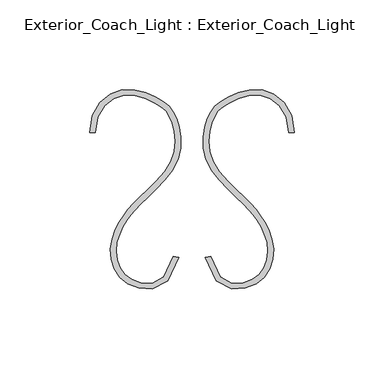
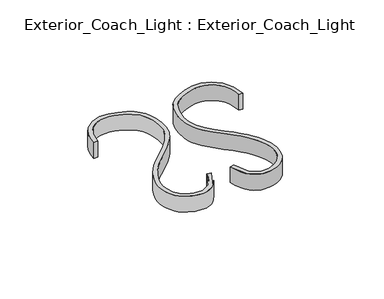
"""IFC4 building model written with IfcOpenShell, lengths in millimetres: light fixture geometry, Exterior_Coach_Light : Exterior_Coach_Light."""

from ifc_helpers import new_model, si_unit, frame, origin, place, context, project, spatial, source, transform, mapped, element, save
from ifc_brep_helpers import plane_surface, extruded_surface, spline_curve, advanced_brep


def exterior_coach_light_exterior_coach_light_064aa03b(model_context):
    return source(origin(), model_context, "Body", "AdvancedBrep", [
        advanced_brep(
        [(-54.0557336, -103.0735619, 1837.4145854), (-57.2307336, -103.0735619, 1837.4145854), (-57.2307336, -103.0735619, 1824.7145854), (-54.0557336, -103.0735619, 1824.7145854), (-7.296701, -172.8506405, 1837.4145854), (-7.296701, -172.8506405, 1824.7145854), (-10.37739, -172.0825385, 1824.7145854), (-10.37739, -172.0825385, 1837.4145854)],
        [
            (0, 1),
            (1, 2),
            (2, 3),
            (3, 0),
            (4, 5),
            (5, 6),
            (6, 7),
            (7, 4),
            (3, 5, spline_curve(3, [(-54.0557336, -103.0735619, 1824.7145854), (-54.0557336, -99.624906197, 1824.7145854), (-53.455438767, -96.587415898, 1824.7145854), (-51.414100233, -91.345741502, 1824.7145854), (-49.973056544, -89.141557385, 1824.7145854), (-46.570124656, -85.588861415, 1824.7145854), (-44.608236472, -84.240349644, 1824.7145854), (-41.536717114, -82.904681628, 1824.7145854), (-40.491429447, -82.57397551, 1824.7145854), (-38.372139553, -82.12737389, 1824.7145854), (-37.298137307, -82.011478386, 1824.7145854), (-34.054556786, -81.932916829, 1824.7145854), (-31.863404822, -82.239375907, 1824.7145854), (-27.646079978, -83.297550293, 1824.7145854), (-25.619907063, -84.04926558, 1824.7145854), (-22.870199818, -85.27969101, 1824.7145854), (-22.001889477, -85.706974858, 1824.7145854), (-20.396598923, -86.549578142, 1824.7145854), (-19.659618761, -86.964897577, 1824.7145854), (-17.649316778, -88.194114646, 1824.7145854), (-16.576633411, -88.991271234, 1824.7145854), (-14.781340989, -90.666032566, 1824.7145854), (-14.058731962, -91.543637302, 1824.7145854), (-12.782656038, -93.578081098, 1824.7145854), (-12.229189158, -94.734920234, 1824.7145854), (-11.170459242, -97.495021166, 1824.7145854), (-10.665196171, -99.098283008, 1824.7145854), (-9.855837029, -102.578423392, 1824.7145854), (-9.551740912, -104.455301921, 1824.7145854), (-9.304545688, -108.354228679, 1824.7145854), (-9.361446566, -110.376276828, 1824.7145854), (-9.971025834, -114.417713372, 1824.7145854), (-10.52370423, -116.43710176, 1824.7145854), (-12.30652957, -120.42831804, 1824.7145854), (-13.536676504, -122.400145982, 1824.7145854), (-16.433853296, -126.261512018, 1824.7145854), (-18.100883197, -128.151050113, 1824.7145854), (-21.564237603, -131.757102887, 1824.7145854), (-23.36056215, -133.473617554, 1824.7145854), (-26.78306725, -136.683372046, 1824.7145854), (-28.409247787, -138.176611855, 1824.7145854), (-31.231895413, -140.902021545, 1824.7145854), (-32.428362429, -142.134191429, 1824.7145854), (-34.565293771, -144.496342171, 1824.7145854), (-35.505758145, -145.626322981, 1824.7145854), (-37.269922455, -147.911993219, 1824.7145854), (-38.09362248, -149.067682618, 1824.7145854), (-39.78235552, -151.581190382, 1824.7145854), (-40.647388498, -152.939008781, 1824.7145854), (-42.285726702, -155.948882819, 1824.7145854), (-43.059031867, -157.600938431, 1824.7145854), (-44.377143133, -161.199786169, 1824.7145854), (-44.921949277, -163.146578269, 1824.7145854), (-45.585282723, -167.185668931, 1824.7145854), (-45.703810091, -169.277967507, 1824.7145854), (-45.358549109, -173.397078693, 1824.7145854), (-44.894760676, -175.423891308, 1824.7145854), (-43.482850524, -179.239014092, 1824.7145854), (-42.534728804, -181.027324306, 1824.7145854), (-40.173636596, -184.230854294, 1824.7145854), (-38.760666159, -185.646074059, 1824.7145854), (-36.21000517, -187.40828402, 1824.7145854), (-35.287917268, -187.935584049, 1824.7145854), (-33.296443732, -188.861259751, 1824.7145854), (-32.227058063, -189.259635442, 1824.7145854), (-30.505103418, -189.756791029, 1824.7145854), (-29.911472519, -189.905774967, 1824.7145854), (-28.682627481, -190.172683433, 1824.7145854), (-28.047413344, -190.290607971, 1824.7145854), (-26.058930411, -190.579055059, 1824.7145854), (-24.622821024, -190.684250866, 1824.7145854), (-21.632345776, -190.471991734, 1824.7145854), (-20.077979951, -190.154536767, 1824.7145854), (-17.010148649, -188.857658833, 1824.7145854), (-15.496683226, -187.878235898, 1824.7145854), (-12.691305774, -185.119830502, 1824.7145854), (-11.399393753, -183.340848058, 1824.7145854), (-9.111206447, -178.847123942, 1824.7145854), (-8.114931112, -176.132382231, 1824.7145854), (-7.296701, -172.8506405, 1824.7145854)], [4, 2, 2, 2, 2, 2, 2, 2, 2, 2, 2, 2, 2, 2, 2, 2, 2, 2, 2, 2, 2, 2, 2, 2, 2, 2, 2, 2, 2, 2, 2, 2, 2, 2, 2, 2, 2, 2, 2, 4], [0.0, 0.019727007835017154, 0.03945401567003431, 0.05918102350505146, 0.06904452742256004, 0.07890803134006862, 0.09863503917508576, 0.11836204701010292, 0.1282255509276115, 0.13808905484512007, 0.15781606268013723, 0.1775430705151544, 0.19727007835017152, 0.21699708618518868, 0.23672409402020583, 0.256451101855223, 0.27617810969024015, 0.2959051175252573, 0.31563212536027446, 0.33535913319529165, 0.3550861410303088, 0.3748131488653259, 0.39454015670034304, 0.41426716453536017, 0.43399417237037735, 0.45372118020539454, 0.47344818804041167, 0.49317519587542885, 0.512902203710446, 0.5326292115454632, 0.5523562193804803, 0.5622197232979889, 0.5720832272154974, 0.5770149791742517, 0.581946731133006, 0.5918102350505146, 0.6016737389680231, 0.6115372428855317, 0.6214007468030402, 0.6312642507205489])),
            (4, 0, spline_curve(3, [(-7.296701, -172.8506405, 1837.4145854), (-8.114931112, -176.132382231, 1837.4145854), (-9.111206447, -178.847123942, 1837.4145854), (-11.399393753, -183.340848058, 1837.4145854), (-12.691305774, -185.119830502, 1837.4145854), (-15.496683226, -187.878235898, 1837.4145854), (-17.010148649, -188.857658833, 1837.4145854), (-20.077979951, -190.154536767, 1837.4145854), (-21.632345776, -190.471991734, 1837.4145854), (-24.622821024, -190.684250866, 1837.4145854), (-26.058930411, -190.579055059, 1837.4145854), (-28.047413344, -190.290607971, 1837.4145854), (-28.682627481, -190.172683433, 1837.4145854), (-29.911472519, -189.905774967, 1837.4145854), (-30.505103418, -189.756791029, 1837.4145854), (-32.227058063, -189.259635442, 1837.4145854), (-33.296443732, -188.861259751, 1837.4145854), (-35.287917268, -187.935584049, 1837.4145854), (-36.21000517, -187.40828402, 1837.4145854), (-38.760666159, -185.646074059, 1837.4145854), (-40.173636596, -184.230854294, 1837.4145854), (-42.534728804, -181.027324306, 1837.4145854), (-43.482850524, -179.239014092, 1837.4145854), (-44.894760676, -175.423891308, 1837.4145854), (-45.358549109, -173.397078693, 1837.4145854), (-45.703810091, -169.277967507, 1837.4145854), (-45.585282723, -167.185668931, 1837.4145854), (-44.921949277, -163.146578269, 1837.4145854), (-44.377143133, -161.199786169, 1837.4145854), (-43.059031867, -157.600938431, 1837.4145854), (-42.285726702, -155.948882819, 1837.4145854), (-40.647388498, -152.939008781, 1837.4145854), (-39.78235552, -151.581190382, 1837.4145854), (-38.09362248, -149.067682618, 1837.4145854), (-37.269922455, -147.911993219, 1837.4145854), (-35.505758145, -145.626322981, 1837.4145854), (-34.565293771, -144.496342171, 1837.4145854), (-32.428362429, -142.134191429, 1837.4145854), (-31.231895413, -140.902021545, 1837.4145854), (-28.409247787, -138.176611855, 1837.4145854), (-26.78306725, -136.683372046, 1837.4145854), (-23.36056215, -133.473617554, 1837.4145854), (-21.564237603, -131.757102887, 1837.4145854), (-18.100883197, -128.151050113, 1837.4145854), (-16.433853296, -126.261512018, 1837.4145854), (-13.536676504, -122.400145982, 1837.4145854), (-12.30652957, -120.42831804, 1837.4145854), (-10.52370423, -116.43710176, 1837.4145854), (-9.971025834, -114.417713372, 1837.4145854), (-9.361446566, -110.376276828, 1837.4145854), (-9.304545688, -108.354228679, 1837.4145854), (-9.551740912, -104.455301921, 1837.4145854), (-9.855837029, -102.578423392, 1837.4145854), (-10.665196171, -99.098283008, 1837.4145854), (-11.170459242, -97.495021166, 1837.4145854), (-12.229189158, -94.734920234, 1837.4145854), (-12.782656038, -93.578081098, 1837.4145854), (-14.058731962, -91.543637302, 1837.4145854), (-14.781340989, -90.666032566, 1837.4145854), (-16.576633411, -88.991271234, 1837.4145854), (-17.649316778, -88.194114646, 1837.4145854), (-19.659618761, -86.964897577, 1837.4145854), (-20.396598923, -86.549578142, 1837.4145854), (-22.001889477, -85.706974858, 1837.4145854), (-22.870199818, -85.27969101, 1837.4145854), (-25.619907063, -84.04926558, 1837.4145854), (-27.646079978, -83.297550293, 1837.4145854), (-31.863404822, -82.239375907, 1837.4145854), (-34.054556786, -81.932916829, 1837.4145854), (-37.298137307, -82.011478386, 1837.4145854), (-38.372139553, -82.12737389, 1837.4145854), (-40.491429447, -82.57397551, 1837.4145854), (-41.536717114, -82.904681628, 1837.4145854), (-44.608236472, -84.240349644, 1837.4145854), (-46.570124656, -85.588861415, 1837.4145854), (-49.973056544, -89.141557385, 1837.4145854), (-51.414100233, -91.345741502, 1837.4145854), (-53.455438767, -96.587415898, 1837.4145854), (-54.0557336, -99.624906197, 1837.4145854), (-54.0557336, -103.0735619, 1837.4145854)], [4, 2, 2, 2, 2, 2, 2, 2, 2, 2, 2, 2, 2, 2, 2, 2, 2, 2, 2, 2, 2, 2, 2, 2, 2, 2, 2, 2, 2, 2, 2, 2, 2, 2, 2, 2, 2, 2, 2, 4], [0.0, 0.009863503917508676, 0.01972700783501724, 0.029590511752525805, 0.03945401567003437, 0.049317519587542935, 0.05424927154629722, 0.0591810235050515, 0.06904452742256006, 0.07890803134006863, 0.09863503917508576, 0.11836204701010289, 0.13808905484512007, 0.15781606268013726, 0.1775430705151544, 0.19727007835017157, 0.21699708618518876, 0.2367240940202059, 0.256451101855223, 0.27617810969024015, 0.2959051175252573, 0.31563212536027446, 0.33535913319529165, 0.3550861410303088, 0.3748131488653259, 0.3945401567003431, 0.4142671645353603, 0.4339941723703774, 0.45372118020539454, 0.47344818804041167, 0.49317519587542885, 0.5030386997929375, 0.512902203710446, 0.5326292115454632, 0.5523562193804803, 0.5622197232979889, 0.5720832272154974, 0.5918102350505147, 0.6115372428855318, 0.6312642507205489])),
            (2, 6, spline_curve(3, [(-57.2307336, -103.0735619, 1824.7145854), (-57.2307336, -99.255517448, 1824.7145854), (-56.562767787, -95.816167891, 1824.7145854), (-54.223746013, -89.812231909, 1824.7145854), (-52.552690053, -87.247645524, 1824.7145854), (-48.577455747, -83.091616876, 1824.7145854), (-46.273277411, -81.500174623, 1824.7145854), (-42.605003395, -79.908038139, 1824.7145854), (-41.346911042, -79.509830372, 1824.7145854), (-38.820685158, -78.976857828, 1824.7145854), (-37.552551634, -78.842093035, 1824.7145854), (-33.781691931, -78.749610731, 1824.7145854), (-31.312506389, -79.103705554, 1824.7145854), (-26.649944211, -80.274553246, 1824.7145854), (-24.456567631, -81.091306135, 1824.7145854), (-21.507400784, -82.411206332, 1824.7145854), (-20.581161453, -82.866968161, 1824.7145854), (-18.863300147, -83.768532839, 1824.7145854), (-18.071678095, -84.214335685, 1824.7145854), (-15.858376811, -85.56773503, 1824.7145854), (-14.598262436, -86.491322516, 1824.7145854), (-12.423568364, -88.526977284, 1824.7145854), (-11.508988684, -89.639044481, 1824.7145854), (-9.957976316, -92.100650919, 1824.7145854), (-9.321543665, -93.450190206, 1824.7145854), (-8.145188535, -96.516345594, 1824.7145854), (-7.605266077, -98.232961712, 1824.7145854), (-6.731440723, -102.002700688, 1824.7145854), (-6.397537813, -104.055823519, 1824.7145854), (-6.121564387, -108.350479281, 1824.7145854), (-6.179493889, -110.592012189, 1824.7145854), (-6.874767711, -115.154117011, 1824.7145854), (-7.512112031, -117.474688897, 1824.7145854), (-9.518584369, -121.976821503, 1824.7145854), (-10.887712365, -124.158382253, 1824.7145854), (-14.003176035, -128.313753747, 1824.7145854), (-15.749511683, -130.287564493, 1824.7145854), (-19.335881717, -134.019292507, 1824.7145854), (-21.17591611, -135.777209749, 1824.7145854), (-24.62571989, -139.013309051, 1824.7145854), (-26.235489293, -140.491491127, 1824.7145854), (-28.988693307, -143.149264473, 1824.7145854), (-30.13212791, -144.32885576, 1824.7145854), (-32.15567489, -146.56517904, 1824.7145854), (-33.035787296, -147.621911009, 1824.7145854), (-34.709229704, -149.791314791, 1824.7145854), (-35.502559756, -150.903986679, 1824.7145854), (-37.108362644, -153.294772321, 1824.7145854), (-37.920835455, -154.572886114, 1824.7145854), (-39.435841345, -157.352411486, 1824.7145854), (-40.138374381, -158.853823052, 1824.7145854), (-41.333147419, -162.125298348, 1824.7145854), (-41.825387449, -163.895362053, 1824.7145854), (-42.417430551, -167.475931747, 1824.7145854), (-42.517233683, -169.286437725, 1824.7145854), (-42.218615917, -172.842919875, 1824.7145854), (-41.820194961, -174.588896072, 1824.7145854), (-40.602156639, -177.870062328, 1824.7145854), (-39.782539246, -179.405252393, 1824.7145854), (-37.810612354, -182.090335607, 1824.7145854), (-36.658302837, -183.240228707, 1824.7145854), (-33.853781763, -185.176382693, 1824.7145854), (-32.201570167, -185.962643498, 1824.7145854), (-29.696308583, -186.685540001, 1824.7145854), (-29.173256392, -186.817122886, 1824.7145854), (-28.079068008, -187.054714914, 1824.7145854), (-27.5079318, -187.160724128, 1824.7145854), (-25.7619519, -187.413728145, 1824.7145854), (-24.554537021, -187.495699309, 1824.7145854), (-22.150312979, -187.326485691, 1824.7145854), (-20.953503864, -187.075300927, 1824.7145854), (-18.602454936, -186.086056073, 1824.7145854), (-17.448215077, -185.347996065, 1824.7145854), (-15.195182923, -183.125489735, 1824.7145854), (-14.096390631, -181.641043415, 1824.7145854), (-12.073052169, -177.665956585, 1824.7145854), (-11.148506043, -175.175316022, 1824.7145854), (-10.37739, -172.0825385, 1824.7145854)], [4, 2, 2, 2, 2, 2, 2, 2, 2, 2, 2, 2, 2, 2, 2, 2, 2, 2, 2, 2, 2, 2, 2, 2, 2, 2, 2, 2, 2, 2, 2, 2, 2, 2, 2, 2, 2, 2, 4], [0.0, 0.019727007835017154, 0.03945401567003431, 0.05918102350505146, 0.06904452742256004, 0.07890803134006862, 0.09863503917508576, 0.11836204701010292, 0.1282255509276115, 0.13808905484512007, 0.15781606268013723, 0.1775430705151544, 0.19727007835017152, 0.21699708618518868, 0.23672409402020583, 0.256451101855223, 0.27617810969024015, 0.2959051175252573, 0.31563212536027446, 0.33535913319529165, 0.3550861410303088, 0.3748131488653259, 0.39454015670034304, 0.41426716453536017, 0.43399417237037735, 0.45372118020539454, 0.47344818804041167, 0.49317519587542885, 0.512902203710446, 0.5326292115454632, 0.5523562193804803, 0.5720832272154974, 0.5770149791742517, 0.581946731133006, 0.5918102350505146, 0.6016737389680231, 0.6115372428855317, 0.6214007468030402, 0.6312642507205489])),
            (1, 7, spline_curve(3, [(-57.2307336, -103.0735619, 1837.4145854), (-57.2307336, -99.255517448, 1837.4145854), (-56.562767787, -95.816167891, 1837.4145854), (-54.223746013, -89.812231909, 1837.4145854), (-52.552690053, -87.247645524, 1837.4145854), (-48.577455747, -83.091616876, 1837.4145854), (-46.273277411, -81.500174623, 1837.4145854), (-42.605003395, -79.908038139, 1837.4145854), (-41.346911042, -79.509830372, 1837.4145854), (-38.820685158, -78.976857828, 1837.4145854), (-37.552551634, -78.842093035, 1837.4145854), (-33.781691931, -78.749610731, 1837.4145854), (-31.312506389, -79.103705554, 1837.4145854), (-26.649944211, -80.274553246, 1837.4145854), (-24.456567631, -81.091306135, 1837.4145854), (-21.507400784, -82.411206332, 1837.4145854), (-20.581161453, -82.866968161, 1837.4145854), (-18.863300147, -83.768532839, 1837.4145854), (-18.071678095, -84.214335685, 1837.4145854), (-15.858376811, -85.56773503, 1837.4145854), (-14.598262436, -86.491322516, 1837.4145854), (-12.423568364, -88.526977284, 1837.4145854), (-11.508988684, -89.639044481, 1837.4145854), (-9.957976316, -92.100650919, 1837.4145854), (-9.321543665, -93.450190206, 1837.4145854), (-8.145188535, -96.516345594, 1837.4145854), (-7.605266077, -98.232961712, 1837.4145854), (-6.731440723, -102.002700688, 1837.4145854), (-6.397537813, -104.055823519, 1837.4145854), (-6.121564387, -108.350479281, 1837.4145854), (-6.179493889, -110.592012189, 1837.4145854), (-6.874767711, -115.154117011, 1837.4145854), (-7.512112031, -117.474688897, 1837.4145854), (-9.518584369, -121.976821503, 1837.4145854), (-10.887712365, -124.158382253, 1837.4145854), (-14.003176035, -128.313753747, 1837.4145854), (-15.749511683, -130.287564493, 1837.4145854), (-19.335881717, -134.019292507, 1837.4145854), (-21.17591611, -135.777209749, 1837.4145854), (-24.62571989, -139.013309051, 1837.4145854), (-26.235489293, -140.491491127, 1837.4145854), (-28.988693307, -143.149264473, 1837.4145854), (-30.13212791, -144.32885576, 1837.4145854), (-32.15567489, -146.56517904, 1837.4145854), (-33.035787296, -147.621911009, 1837.4145854), (-34.709229704, -149.791314791, 1837.4145854), (-35.502559756, -150.903986679, 1837.4145854), (-37.108362644, -153.294772321, 1837.4145854), (-37.920835455, -154.572886114, 1837.4145854), (-39.435841345, -157.352411486, 1837.4145854), (-40.138374381, -158.853823052, 1837.4145854), (-41.333147419, -162.125298348, 1837.4145854), (-41.825387449, -163.895362053, 1837.4145854), (-42.417430551, -167.475931747, 1837.4145854), (-42.517233683, -169.286437725, 1837.4145854), (-42.218615917, -172.842919875, 1837.4145854), (-41.820194961, -174.588896072, 1837.4145854), (-40.602156639, -177.870062328, 1837.4145854), (-39.782539246, -179.405252393, 1837.4145854), (-37.810612354, -182.090335607, 1837.4145854), (-36.658302837, -183.240228707, 1837.4145854), (-33.853781763, -185.176382693, 1837.4145854), (-32.201570167, -185.962643498, 1837.4145854), (-29.696308583, -186.685540001, 1837.4145854), (-29.173256392, -186.817122886, 1837.4145854), (-28.079068008, -187.054714914, 1837.4145854), (-27.5079318, -187.160724128, 1837.4145854), (-25.7619519, -187.413728145, 1837.4145854), (-24.554537021, -187.495699309, 1837.4145854), (-22.150312979, -187.326485691, 1837.4145854), (-20.953503864, -187.075300927, 1837.4145854), (-18.602454936, -186.086056073, 1837.4145854), (-17.448215077, -185.347996065, 1837.4145854), (-15.195182923, -183.125489735, 1837.4145854), (-14.096390631, -181.641043415, 1837.4145854), (-12.073052169, -177.665956585, 1837.4145854), (-11.148506043, -175.175316022, 1837.4145854), (-10.37739, -172.0825385, 1837.4145854)], [4, 2, 2, 2, 2, 2, 2, 2, 2, 2, 2, 2, 2, 2, 2, 2, 2, 2, 2, 2, 2, 2, 2, 2, 2, 2, 2, 2, 2, 2, 2, 2, 2, 2, 2, 2, 2, 2, 4], [0.0, 0.019727007835017154, 0.03945401567003431, 0.05918102350505146, 0.06904452742256004, 0.07890803134006862, 0.09863503917508576, 0.11836204701010292, 0.1282255509276115, 0.13808905484512007, 0.15781606268013723, 0.1775430705151544, 0.19727007835017152, 0.21699708618518868, 0.23672409402020583, 0.256451101855223, 0.27617810969024015, 0.2959051175252573, 0.31563212536027446, 0.33535913319529165, 0.3550861410303088, 0.3748131488653259, 0.39454015670034304, 0.41426716453536017, 0.43399417237037735, 0.45372118020539454, 0.47344818804041167, 0.49317519587542885, 0.512902203710446, 0.5326292115454632, 0.5523562193804803, 0.5720832272154974, 0.5770149791742517, 0.581946731133006, 0.5918102350505146, 0.6016737389680231, 0.6115372428855317, 0.6214007468030402, 0.6312642507205489])),
        ],
        [
            plane_surface(frame((-55.6432336, -103.0735619, 0.0), z_axis=(0.0, -1.0, 0.0), x_axis=(0.0, 0.0, 1.0))),
            plane_surface(frame((-8.8370455, -172.4665895, 0.0), z_axis=(0.24192189559966532, 0.970295726275997, 0.0), x_axis=(0.0, 0.0, 1.0))),
            extruded_surface(spline_curve(3, [(-54.0557336, -103.0735619, 1824.7145854), (-54.0557336, -99.624906197, 1824.7145854), (-53.455438767, -96.587415898, 1824.7145854), (-51.414100233, -91.345741502, 1824.7145854), (-49.973056544, -89.141557385, 1824.7145854), (-46.570124656, -85.588861415, 1824.7145854), (-44.608236472, -84.240349644, 1824.7145854), (-41.536717114, -82.904681628, 1824.7145854), (-40.491429447, -82.57397551, 1824.7145854), (-38.372139553, -82.12737389, 1824.7145854), (-37.298137307, -82.011478386, 1824.7145854), (-34.054556786, -81.932916829, 1824.7145854), (-31.863404822, -82.239375907, 1824.7145854), (-27.646079978, -83.297550293, 1824.7145854), (-25.619907063, -84.04926558, 1824.7145854), (-22.870199818, -85.27969101, 1824.7145854), (-22.001889477, -85.706974858, 1824.7145854), (-20.396598923, -86.549578142, 1824.7145854), (-19.659618761, -86.964897577, 1824.7145854), (-17.649316778, -88.194114646, 1824.7145854), (-16.576633411, -88.991271234, 1824.7145854), (-14.781340989, -90.666032566, 1824.7145854), (-14.058731962, -91.543637302, 1824.7145854), (-12.782656038, -93.578081098, 1824.7145854), (-12.229189158, -94.734920234, 1824.7145854), (-11.170459242, -97.495021166, 1824.7145854), (-10.665196171, -99.098283008, 1824.7145854), (-9.855837029, -102.578423392, 1824.7145854), (-9.551740912, -104.455301921, 1824.7145854), (-9.304545688, -108.354228679, 1824.7145854), (-9.361446566, -110.376276828, 1824.7145854), (-9.971025834, -114.417713372, 1824.7145854), (-10.52370423, -116.43710176, 1824.7145854), (-12.30652957, -120.42831804, 1824.7145854), (-13.536676504, -122.400145982, 1824.7145854), (-16.433853296, -126.261512018, 1824.7145854), (-18.100883197, -128.151050113, 1824.7145854), (-21.564237603, -131.757102887, 1824.7145854), (-23.36056215, -133.473617554, 1824.7145854), (-26.78306725, -136.683372046, 1824.7145854), (-28.409247787, -138.176611855, 1824.7145854), (-31.231895413, -140.902021545, 1824.7145854), (-32.428362429, -142.134191429, 1824.7145854), (-34.565293771, -144.496342171, 1824.7145854), (-35.505758145, -145.626322981, 1824.7145854), (-37.269922455, -147.911993219, 1824.7145854), (-38.09362248, -149.067682618, 1824.7145854), (-39.78235552, -151.581190382, 1824.7145854), (-40.647388498, -152.939008781, 1824.7145854), (-42.285726702, -155.948882819, 1824.7145854), (-43.059031867, -157.600938431, 1824.7145854), (-44.377143133, -161.199786169, 1824.7145854), (-44.921949277, -163.146578269, 1824.7145854), (-45.585282723, -167.185668931, 1824.7145854), (-45.703810091, -169.277967507, 1824.7145854), (-45.358549109, -173.397078693, 1824.7145854), (-44.894760676, -175.423891308, 1824.7145854), (-43.482850524, -179.239014092, 1824.7145854), (-42.534728804, -181.027324306, 1824.7145854), (-40.173636596, -184.230854294, 1824.7145854), (-38.760666159, -185.646074059, 1824.7145854), (-36.21000517, -187.40828402, 1824.7145854), (-35.287917268, -187.935584049, 1824.7145854), (-33.296443732, -188.861259751, 1824.7145854), (-32.227058063, -189.259635442, 1824.7145854), (-30.505103418, -189.756791029, 1824.7145854), (-29.911472519, -189.905774967, 1824.7145854), (-28.682627481, -190.172683433, 1824.7145854), (-28.047413344, -190.290607971, 1824.7145854), (-26.058930411, -190.579055059, 1824.7145854), (-24.622821024, -190.684250866, 1824.7145854), (-21.632345776, -190.471991734, 1824.7145854), (-20.077979951, -190.154536767, 1824.7145854), (-17.010148649, -188.857658833, 1824.7145854), (-15.496683226, -187.878235898, 1824.7145854), (-12.691305774, -185.119830502, 1824.7145854), (-11.399393753, -183.340848058, 1824.7145854), (-9.111206447, -178.847123942, 1824.7145854), (-8.114931112, -176.132382231, 1824.7145854), (-7.296701, -172.8506405, 1824.7145854)], [4, 2, 2, 2, 2, 2, 2, 2, 2, 2, 2, 2, 2, 2, 2, 2, 2, 2, 2, 2, 2, 2, 2, 2, 2, 2, 2, 2, 2, 2, 2, 2, 2, 2, 2, 2, 2, 2, 2, 4], [0.0, 0.019727007835017154, 0.03945401567003431, 0.05918102350505146, 0.06904452742256004, 0.07890803134006862, 0.09863503917508576, 0.11836204701010292, 0.1282255509276115, 0.13808905484512007, 0.15781606268013723, 0.1775430705151544, 0.19727007835017152, 0.21699708618518868, 0.23672409402020583, 0.256451101855223, 0.27617810969024015, 0.2959051175252573, 0.31563212536027446, 0.33535913319529165, 0.3550861410303088, 0.3748131488653259, 0.39454015670034304, 0.41426716453536017, 0.43399417237037735, 0.45372118020539454, 0.47344818804041167, 0.49317519587542885, 0.512902203710446, 0.5326292115454632, 0.5523562193804803, 0.5622197232979889, 0.5720832272154974, 0.5770149791742517, 0.581946731133006, 0.5918102350505146, 0.6016737389680231, 0.6115372428855317, 0.6214007468030402, 0.6312642507205489]), (0.0, 0.0, 12.700000000000045), 12.700000000000045),
            plane_surface(frame((-17.5426967, -132.1534285, 1824.7145854), z_axis=(0.0, 0.0, -1.0000000000000002), x_axis=(-0.6926924887523505, -0.7212330525052738, 0.0))),
            extruded_surface(spline_curve(3, [(-57.2307336, -103.0735619, 1837.4145854), (-57.2307336, -99.255517448, 1837.4145854), (-56.562767787, -95.816167891, 1837.4145854), (-54.223746013, -89.812231909, 1837.4145854), (-52.552690053, -87.247645524, 1837.4145854), (-48.577455747, -83.091616876, 1837.4145854), (-46.273277411, -81.500174623, 1837.4145854), (-42.605003395, -79.908038139, 1837.4145854), (-41.346911042, -79.509830372, 1837.4145854), (-38.820685158, -78.976857828, 1837.4145854), (-37.552551634, -78.842093035, 1837.4145854), (-33.781691931, -78.749610731, 1837.4145854), (-31.312506389, -79.103705554, 1837.4145854), (-26.649944211, -80.274553246, 1837.4145854), (-24.456567631, -81.091306135, 1837.4145854), (-21.507400784, -82.411206332, 1837.4145854), (-20.581161453, -82.866968161, 1837.4145854), (-18.863300147, -83.768532839, 1837.4145854), (-18.071678095, -84.214335685, 1837.4145854), (-15.858376811, -85.56773503, 1837.4145854), (-14.598262436, -86.491322516, 1837.4145854), (-12.423568364, -88.526977284, 1837.4145854), (-11.508988684, -89.639044481, 1837.4145854), (-9.957976316, -92.100650919, 1837.4145854), (-9.321543665, -93.450190206, 1837.4145854), (-8.145188535, -96.516345594, 1837.4145854), (-7.605266077, -98.232961712, 1837.4145854), (-6.731440723, -102.002700688, 1837.4145854), (-6.397537813, -104.055823519, 1837.4145854), (-6.121564387, -108.350479281, 1837.4145854), (-6.179493889, -110.592012189, 1837.4145854), (-6.874767711, -115.154117011, 1837.4145854), (-7.512112031, -117.474688897, 1837.4145854), (-9.518584369, -121.976821503, 1837.4145854), (-10.887712365, -124.158382253, 1837.4145854), (-14.003176035, -128.313753747, 1837.4145854), (-15.749511683, -130.287564493, 1837.4145854), (-19.335881717, -134.019292507, 1837.4145854), (-21.17591611, -135.777209749, 1837.4145854), (-24.62571989, -139.013309051, 1837.4145854), (-26.235489293, -140.491491127, 1837.4145854), (-28.988693307, -143.149264473, 1837.4145854), (-30.13212791, -144.32885576, 1837.4145854), (-32.15567489, -146.56517904, 1837.4145854), (-33.035787296, -147.621911009, 1837.4145854), (-34.709229704, -149.791314791, 1837.4145854), (-35.502559756, -150.903986679, 1837.4145854), (-37.108362644, -153.294772321, 1837.4145854), (-37.920835455, -154.572886114, 1837.4145854), (-39.435841345, -157.352411486, 1837.4145854), (-40.138374381, -158.853823052, 1837.4145854), (-41.333147419, -162.125298348, 1837.4145854), (-41.825387449, -163.895362053, 1837.4145854), (-42.417430551, -167.475931747, 1837.4145854), (-42.517233683, -169.286437725, 1837.4145854), (-42.218615917, -172.842919875, 1837.4145854), (-41.820194961, -174.588896072, 1837.4145854), (-40.602156639, -177.870062328, 1837.4145854), (-39.782539246, -179.405252393, 1837.4145854), (-37.810612354, -182.090335607, 1837.4145854), (-36.658302837, -183.240228707, 1837.4145854), (-33.853781763, -185.176382693, 1837.4145854), (-32.201570167, -185.962643498, 1837.4145854), (-29.696308583, -186.685540001, 1837.4145854), (-29.173256392, -186.817122886, 1837.4145854), (-28.079068008, -187.054714914, 1837.4145854), (-27.5079318, -187.160724128, 1837.4145854), (-25.7619519, -187.413728145, 1837.4145854), (-24.554537021, -187.495699309, 1837.4145854), (-22.150312979, -187.326485691, 1837.4145854), (-20.953503864, -187.075300927, 1837.4145854), (-18.602454936, -186.086056073, 1837.4145854), (-17.448215077, -185.347996065, 1837.4145854), (-15.195182923, -183.125489735, 1837.4145854), (-14.096390631, -181.641043415, 1837.4145854), (-12.073052169, -177.665956585, 1837.4145854), (-11.148506043, -175.175316022, 1837.4145854), (-10.37739, -172.0825385, 1837.4145854)], [4, 2, 2, 2, 2, 2, 2, 2, 2, 2, 2, 2, 2, 2, 2, 2, 2, 2, 2, 2, 2, 2, 2, 2, 2, 2, 2, 2, 2, 2, 2, 2, 2, 2, 2, 2, 2, 2, 4], [0.0, 0.019727007835017154, 0.03945401567003431, 0.05918102350505146, 0.06904452742256004, 0.07890803134006862, 0.09863503917508576, 0.11836204701010292, 0.1282255509276115, 0.13808905484512007, 0.15781606268013723, 0.1775430705151544, 0.19727007835017152, 0.21699708618518868, 0.23672409402020583, 0.256451101855223, 0.27617810969024015, 0.2959051175252573, 0.31563212536027446, 0.33535913319529165, 0.3550861410303088, 0.3748131488653259, 0.39454015670034304, 0.41426716453536017, 0.43399417237037735, 0.45372118020539454, 0.47344818804041167, 0.49317519587542885, 0.512902203710446, 0.5326292115454632, 0.5523562193804803, 0.5720832272154974, 0.5770149791742517, 0.581946731133006, 0.5918102350505146, 0.6016737389680231, 0.6115372428855317, 0.6214007468030402, 0.6312642507205489]), (0.0, 0.0, -12.700000000000045), 12.700000000000045),
            plane_surface(frame((-19.8325604, -129.9540765, 1837.4145854), z_axis=(0.0, 0.0, 1.0000000000000002), x_axis=(-0.6929249777971956, -0.7210096914360834, 0.0))),
        ],
        [
            (0, [[1, 2, 3, 4]]),
            (1, [[5, 6, 7, 8]]),
            (2, [[-4, 9, -5, 10]]),
            (3, [[-3, 11, -6, -9]]),
            (4, [[-2, 12, -7, -11]]),
            (5, [[-1, -10, -8, -12]]),
        ],
    ),
        advanced_brep(
        [(54.0557336, -103.0735619, 1837.4145854), (54.0557336, -103.0735619, 1824.7145854), (57.2307336, -103.0735619, 1824.7145854), (57.2307336, -103.0735619, 1837.4145854), (7.296701, -172.8506405, 1837.4145854), (10.37739, -172.0825385, 1837.4145854), (10.37739, -172.0825385, 1824.7145854), (7.296701, -172.8506405, 1824.7145854)],
        [
            (0, 1),
            (1, 2),
            (2, 3),
            (3, 0),
            (4, 5),
            (5, 6),
            (6, 7),
            (7, 4),
            (0, 4, spline_curve(3, [(54.0557336, -103.0735619, 1837.4145854), (54.0557336, -99.624906197, 1837.4145854), (53.455438767, -96.587415898, 1837.4145854), (51.414100233, -91.345741502, 1837.4145854), (49.973056544, -89.141557385, 1837.4145854), (46.570124656, -85.588861415, 1837.4145854), (44.608236472, -84.240349644, 1837.4145854), (41.536717114, -82.904681628, 1837.4145854), (40.491429447, -82.57397551, 1837.4145854), (38.372139553, -82.12737389, 1837.4145854), (37.298137307, -82.011478386, 1837.4145854), (34.054556786, -81.932916829, 1837.4145854), (31.863404822, -82.239375907, 1837.4145854), (27.646079978, -83.297550293, 1837.4145854), (25.619907063, -84.04926558, 1837.4145854), (22.870199818, -85.27969101, 1837.4145854), (22.001889477, -85.706974858, 1837.4145854), (20.396598923, -86.549578142, 1837.4145854), (19.659618761, -86.964897577, 1837.4145854), (17.649316778, -88.194114646, 1837.4145854), (16.576633411, -88.991271234, 1837.4145854), (14.781340989, -90.666032566, 1837.4145854), (14.058731962, -91.543637302, 1837.4145854), (12.782656038, -93.578081098, 1837.4145854), (12.229189158, -94.734920234, 1837.4145854), (11.170459242, -97.495021166, 1837.4145854), (10.665196171, -99.098283008, 1837.4145854), (9.855837029, -102.578423392, 1837.4145854), (9.551740912, -104.455301921, 1837.4145854), (9.304545688, -108.354228679, 1837.4145854), (9.361446566, -110.376276828, 1837.4145854), (9.971025834, -114.417713372, 1837.4145854), (10.52370423, -116.43710176, 1837.4145854), (12.30652957, -120.42831804, 1837.4145854), (13.536676504, -122.400145982, 1837.4145854), (16.433853296, -126.261512018, 1837.4145854), (18.100883197, -128.151050113, 1837.4145854), (21.564237603, -131.757102887, 1837.4145854), (23.36056215, -133.473617554, 1837.4145854), (26.78306725, -136.683372046, 1837.4145854), (28.409247787, -138.176611855, 1837.4145854), (31.231895413, -140.902021545, 1837.4145854), (32.428362429, -142.134191429, 1837.4145854), (34.565293771, -144.496342171, 1837.4145854), (35.505758145, -145.626322981, 1837.4145854), (37.269922455, -147.911993219, 1837.4145854), (38.09362248, -149.067682618, 1837.4145854), (39.78235552, -151.581190382, 1837.4145854), (40.647388498, -152.939008781, 1837.4145854), (42.285726702, -155.948882819, 1837.4145854), (43.059031867, -157.600938431, 1837.4145854), (44.377143133, -161.199786169, 1837.4145854), (44.921949277, -163.146578269, 1837.4145854), (45.585282723, -167.185668931, 1837.4145854), (45.703810091, -169.277967507, 1837.4145854), (45.358549109, -173.397078693, 1837.4145854), (44.894760676, -175.423891308, 1837.4145854), (43.482850524, -179.239014092, 1837.4145854), (42.534728804, -181.027324306, 1837.4145854), (40.173636596, -184.230854294, 1837.4145854), (38.760666159, -185.646074059, 1837.4145854), (36.21000517, -187.40828402, 1837.4145854), (35.287917268, -187.935584049, 1837.4145854), (33.296443732, -188.861259751, 1837.4145854), (32.227058063, -189.259635442, 1837.4145854), (30.505103418, -189.756791029, 1837.4145854), (29.911472519, -189.905774967, 1837.4145854), (28.682627481, -190.172683433, 1837.4145854), (28.047413344, -190.290607971, 1837.4145854), (26.058930411, -190.579055059, 1837.4145854), (24.622821024, -190.684250866, 1837.4145854), (21.632345776, -190.471991734, 1837.4145854), (20.077979951, -190.154536767, 1837.4145854), (17.010148649, -188.857658833, 1837.4145854), (15.496683226, -187.878235898, 1837.4145854), (12.691305774, -185.119830502, 1837.4145854), (11.399393753, -183.340848058, 1837.4145854), (9.111206447, -178.847123942, 1837.4145854), (8.114931112, -176.132382231, 1837.4145854), (7.296701, -172.8506405, 1837.4145854)], [4, 2, 2, 2, 2, 2, 2, 2, 2, 2, 2, 2, 2, 2, 2, 2, 2, 2, 2, 2, 2, 2, 2, 2, 2, 2, 2, 2, 2, 2, 2, 2, 2, 2, 2, 2, 2, 2, 2, 4], [0.0, 0.019727007835017154, 0.03945401567003431, 0.05918102350505146, 0.06904452742256004, 0.07890803134006862, 0.09863503917508576, 0.11836204701010292, 0.1282255509276115, 0.13808905484512007, 0.15781606268013723, 0.1775430705151544, 0.19727007835017152, 0.21699708618518868, 0.23672409402020583, 0.256451101855223, 0.27617810969024015, 0.2959051175252573, 0.31563212536027446, 0.33535913319529165, 0.3550861410303088, 0.3748131488653259, 0.39454015670034304, 0.41426716453536017, 0.43399417237037735, 0.45372118020539454, 0.47344818804041167, 0.49317519587542885, 0.512902203710446, 0.5326292115454632, 0.5523562193804803, 0.5622197232979889, 0.5720832272154974, 0.5770149791742517, 0.581946731133006, 0.5918102350505146, 0.6016737389680231, 0.6115372428855317, 0.6214007468030402, 0.6312642507205489])),
            (7, 1, spline_curve(3, [(7.296701, -172.8506405, 1824.7145854), (8.114931112, -176.132382231, 1824.7145854), (9.111206447, -178.847123942, 1824.7145854), (11.399393753, -183.340848058, 1824.7145854), (12.691305774, -185.119830502, 1824.7145854), (15.496683226, -187.878235898, 1824.7145854), (17.010148649, -188.857658833, 1824.7145854), (20.077979951, -190.154536767, 1824.7145854), (21.632345776, -190.471991734, 1824.7145854), (24.622821024, -190.684250866, 1824.7145854), (26.058930411, -190.579055059, 1824.7145854), (28.047413344, -190.290607971, 1824.7145854), (28.682627481, -190.172683433, 1824.7145854), (29.911472519, -189.905774967, 1824.7145854), (30.505103418, -189.756791029, 1824.7145854), (32.227058063, -189.259635442, 1824.7145854), (33.296443732, -188.861259751, 1824.7145854), (35.287917268, -187.935584049, 1824.7145854), (36.21000517, -187.40828402, 1824.7145854), (38.760666159, -185.646074059, 1824.7145854), (40.173636596, -184.230854294, 1824.7145854), (42.534728804, -181.027324306, 1824.7145854), (43.482850524, -179.239014092, 1824.7145854), (44.894760676, -175.423891308, 1824.7145854), (45.358549109, -173.397078693, 1824.7145854), (45.703810091, -169.277967507, 1824.7145854), (45.585282723, -167.185668931, 1824.7145854), (44.921949277, -163.146578269, 1824.7145854), (44.377143133, -161.199786169, 1824.7145854), (43.059031867, -157.600938431, 1824.7145854), (42.285726702, -155.948882819, 1824.7145854), (40.647388498, -152.939008781, 1824.7145854), (39.78235552, -151.581190382, 1824.7145854), (38.09362248, -149.067682618, 1824.7145854), (37.269922455, -147.911993219, 1824.7145854), (35.505758145, -145.626322981, 1824.7145854), (34.565293771, -144.496342171, 1824.7145854), (32.428362429, -142.134191429, 1824.7145854), (31.231895413, -140.902021545, 1824.7145854), (28.409247787, -138.176611855, 1824.7145854), (26.78306725, -136.683372046, 1824.7145854), (23.36056215, -133.473617554, 1824.7145854), (21.564237603, -131.757102887, 1824.7145854), (18.100883197, -128.151050113, 1824.7145854), (16.433853296, -126.261512018, 1824.7145854), (13.536676504, -122.400145982, 1824.7145854), (12.30652957, -120.42831804, 1824.7145854), (10.52370423, -116.43710176, 1824.7145854), (9.971025834, -114.417713372, 1824.7145854), (9.361446566, -110.376276828, 1824.7145854), (9.304545688, -108.354228679, 1824.7145854), (9.551740912, -104.455301921, 1824.7145854), (9.855837029, -102.578423392, 1824.7145854), (10.665196171, -99.098283008, 1824.7145854), (11.170459242, -97.495021166, 1824.7145854), (12.229189158, -94.734920234, 1824.7145854), (12.782656038, -93.578081098, 1824.7145854), (14.058731962, -91.543637302, 1824.7145854), (14.781340989, -90.666032566, 1824.7145854), (16.576633411, -88.991271234, 1824.7145854), (17.649316778, -88.194114646, 1824.7145854), (19.659618761, -86.964897577, 1824.7145854), (20.396598923, -86.549578142, 1824.7145854), (22.001889477, -85.706974858, 1824.7145854), (22.870199818, -85.27969101, 1824.7145854), (25.619907063, -84.04926558, 1824.7145854), (27.646079978, -83.297550293, 1824.7145854), (31.863404822, -82.239375907, 1824.7145854), (34.054556786, -81.932916829, 1824.7145854), (37.298137307, -82.011478386, 1824.7145854), (38.372139553, -82.12737389, 1824.7145854), (40.491429447, -82.57397551, 1824.7145854), (41.536717114, -82.904681628, 1824.7145854), (44.608236472, -84.240349644, 1824.7145854), (46.570124656, -85.588861415, 1824.7145854), (49.973056544, -89.141557385, 1824.7145854), (51.414100233, -91.345741502, 1824.7145854), (53.455438767, -96.587415898, 1824.7145854), (54.0557336, -99.624906197, 1824.7145854), (54.0557336, -103.0735619, 1824.7145854)], [4, 2, 2, 2, 2, 2, 2, 2, 2, 2, 2, 2, 2, 2, 2, 2, 2, 2, 2, 2, 2, 2, 2, 2, 2, 2, 2, 2, 2, 2, 2, 2, 2, 2, 2, 2, 2, 2, 2, 4], [0.0, 0.009863503917508676, 0.01972700783501724, 0.029590511752525805, 0.03945401567003437, 0.049317519587542935, 0.05424927154629722, 0.0591810235050515, 0.06904452742256006, 0.07890803134006863, 0.09863503917508576, 0.11836204701010289, 0.13808905484512007, 0.15781606268013726, 0.1775430705151544, 0.19727007835017157, 0.21699708618518876, 0.2367240940202059, 0.256451101855223, 0.27617810969024015, 0.2959051175252573, 0.31563212536027446, 0.33535913319529165, 0.3550861410303088, 0.3748131488653259, 0.3945401567003431, 0.4142671645353603, 0.4339941723703774, 0.45372118020539454, 0.47344818804041167, 0.49317519587542885, 0.5030386997929375, 0.512902203710446, 0.5326292115454632, 0.5523562193804803, 0.5622197232979889, 0.5720832272154974, 0.5918102350505147, 0.6115372428855318, 0.6312642507205489])),
            (6, 2, spline_curve(3, [(10.37739, -172.0825385, 1824.7145854), (11.148506043, -175.175316022, 1824.7145854), (12.073052169, -177.665956585, 1824.7145854), (14.096390631, -181.641043415, 1824.7145854), (15.195182923, -183.125489735, 1824.7145854), (17.448215077, -185.347996065, 1824.7145854), (18.602454936, -186.086056073, 1824.7145854), (20.953503864, -187.075300927, 1824.7145854), (22.150312979, -187.326485691, 1824.7145854), (24.554537021, -187.495699309, 1824.7145854), (25.7619519, -187.413728145, 1824.7145854), (27.5079318, -187.160724128, 1824.7145854), (28.079068008, -187.054714914, 1824.7145854), (29.173256392, -186.817122886, 1824.7145854), (29.696308583, -186.685540001, 1824.7145854), (32.201570167, -185.962643498, 1824.7145854), (33.853781763, -185.176382693, 1824.7145854), (36.658302837, -183.240228707, 1824.7145854), (37.810612354, -182.090335607, 1824.7145854), (39.782539246, -179.405252393, 1824.7145854), (40.602156639, -177.870062328, 1824.7145854), (41.820194961, -174.588896072, 1824.7145854), (42.218615917, -172.842919875, 1824.7145854), (42.517233683, -169.286437725, 1824.7145854), (42.417430551, -167.475931747, 1824.7145854), (41.825387449, -163.895362053, 1824.7145854), (41.333147419, -162.125298348, 1824.7145854), (40.138374381, -158.853823052, 1824.7145854), (39.435841345, -157.352411486, 1824.7145854), (37.920835455, -154.572886114, 1824.7145854), (37.108362644, -153.294772321, 1824.7145854), (35.502559756, -150.903986679, 1824.7145854), (34.709229704, -149.791314791, 1824.7145854), (33.035787296, -147.621911009, 1824.7145854), (32.15567489, -146.56517904, 1824.7145854), (30.13212791, -144.32885576, 1824.7145854), (28.988693307, -143.149264473, 1824.7145854), (26.235489293, -140.491491127, 1824.7145854), (24.62571989, -139.013309051, 1824.7145854), (21.17591611, -135.777209749, 1824.7145854), (19.335881717, -134.019292507, 1824.7145854), (15.749511683, -130.287564493, 1824.7145854), (14.003176035, -128.313753747, 1824.7145854), (10.887712365, -124.158382253, 1824.7145854), (9.518584369, -121.976821503, 1824.7145854), (7.512112031, -117.474688897, 1824.7145854), (6.874767711, -115.154117011, 1824.7145854), (6.179493889, -110.592012189, 1824.7145854), (6.121564387, -108.350479281, 1824.7145854), (6.397537813, -104.055823519, 1824.7145854), (6.731440723, -102.002700688, 1824.7145854), (7.605266077, -98.232961712, 1824.7145854), (8.145188535, -96.516345594, 1824.7145854), (9.321543665, -93.450190206, 1824.7145854), (9.957976316, -92.100650919, 1824.7145854), (11.508988684, -89.639044481, 1824.7145854), (12.423568364, -88.526977284, 1824.7145854), (14.598262436, -86.491322516, 1824.7145854), (15.858376811, -85.56773503, 1824.7145854), (18.071678095, -84.214335685, 1824.7145854), (18.863300147, -83.768532839, 1824.7145854), (20.581161453, -82.866968161, 1824.7145854), (21.507400784, -82.411206332, 1824.7145854), (24.456567631, -81.091306135, 1824.7145854), (26.649944211, -80.274553246, 1824.7145854), (31.312506389, -79.103705554, 1824.7145854), (33.781691931, -78.749610731, 1824.7145854), (37.552551634, -78.842093035, 1824.7145854), (38.820685158, -78.976857828, 1824.7145854), (41.346911042, -79.509830372, 1824.7145854), (42.605003395, -79.908038139, 1824.7145854), (46.273277411, -81.500174623, 1824.7145854), (48.577455747, -83.091616876, 1824.7145854), (52.552690053, -87.247645524, 1824.7145854), (54.223746013, -89.812231909, 1824.7145854), (56.562767787, -95.816167891, 1824.7145854), (57.2307336, -99.255517448, 1824.7145854), (57.2307336, -103.0735619, 1824.7145854)], [4, 2, 2, 2, 2, 2, 2, 2, 2, 2, 2, 2, 2, 2, 2, 2, 2, 2, 2, 2, 2, 2, 2, 2, 2, 2, 2, 2, 2, 2, 2, 2, 2, 2, 2, 2, 2, 2, 4], [0.0, 0.009863503917508676, 0.01972700783501724, 0.029590511752525805, 0.03945401567003437, 0.049317519587542935, 0.05424927154629722, 0.0591810235050515, 0.07890803134006863, 0.09863503917508576, 0.11836204701010289, 0.13808905484512007, 0.15781606268013726, 0.1775430705151544, 0.19727007835017157, 0.21699708618518876, 0.2367240940202059, 0.256451101855223, 0.27617810969024015, 0.2959051175252573, 0.31563212536027446, 0.33535913319529165, 0.3550861410303088, 0.3748131488653259, 0.3945401567003431, 0.4142671645353603, 0.4339941723703774, 0.45372118020539454, 0.47344818804041167, 0.49317519587542885, 0.5030386997929375, 0.512902203710446, 0.5326292115454632, 0.5523562193804803, 0.5622197232979889, 0.5720832272154974, 0.5918102350505147, 0.6115372428855318, 0.6312642507205489])),
            (5, 3, spline_curve(3, [(10.37739, -172.0825385, 1837.4145854), (11.148506043, -175.175316022, 1837.4145854), (12.073052169, -177.665956585, 1837.4145854), (14.096390631, -181.641043415, 1837.4145854), (15.195182923, -183.125489735, 1837.4145854), (17.448215077, -185.347996065, 1837.4145854), (18.602454936, -186.086056073, 1837.4145854), (20.953503864, -187.075300927, 1837.4145854), (22.150312979, -187.326485691, 1837.4145854), (24.554537021, -187.495699309, 1837.4145854), (25.7619519, -187.413728145, 1837.4145854), (27.5079318, -187.160724128, 1837.4145854), (28.079068008, -187.054714914, 1837.4145854), (29.173256392, -186.817122886, 1837.4145854), (29.696308583, -186.685540001, 1837.4145854), (32.201570167, -185.962643498, 1837.4145854), (33.853781763, -185.176382693, 1837.4145854), (36.658302837, -183.240228707, 1837.4145854), (37.810612354, -182.090335607, 1837.4145854), (39.782539246, -179.405252393, 1837.4145854), (40.602156639, -177.870062328, 1837.4145854), (41.820194961, -174.588896072, 1837.4145854), (42.218615917, -172.842919875, 1837.4145854), (42.517233683, -169.286437725, 1837.4145854), (42.417430551, -167.475931747, 1837.4145854), (41.825387449, -163.895362053, 1837.4145854), (41.333147419, -162.125298348, 1837.4145854), (40.138374381, -158.853823052, 1837.4145854), (39.435841345, -157.352411486, 1837.4145854), (37.920835455, -154.572886114, 1837.4145854), (37.108362644, -153.294772321, 1837.4145854), (35.502559756, -150.903986679, 1837.4145854), (34.709229704, -149.791314791, 1837.4145854), (33.035787296, -147.621911009, 1837.4145854), (32.15567489, -146.56517904, 1837.4145854), (30.13212791, -144.32885576, 1837.4145854), (28.988693307, -143.149264473, 1837.4145854), (26.235489293, -140.491491127, 1837.4145854), (24.62571989, -139.013309051, 1837.4145854), (21.17591611, -135.777209749, 1837.4145854), (19.335881717, -134.019292507, 1837.4145854), (15.749511683, -130.287564493, 1837.4145854), (14.003176035, -128.313753747, 1837.4145854), (10.887712365, -124.158382253, 1837.4145854), (9.518584369, -121.976821503, 1837.4145854), (7.512112031, -117.474688897, 1837.4145854), (6.874767711, -115.154117011, 1837.4145854), (6.179493889, -110.592012189, 1837.4145854), (6.121564387, -108.350479281, 1837.4145854), (6.397537813, -104.055823519, 1837.4145854), (6.731440723, -102.002700688, 1837.4145854), (7.605266077, -98.232961712, 1837.4145854), (8.145188535, -96.516345594, 1837.4145854), (9.321543665, -93.450190206, 1837.4145854), (9.957976316, -92.100650919, 1837.4145854), (11.508988684, -89.639044481, 1837.4145854), (12.423568364, -88.526977284, 1837.4145854), (14.598262436, -86.491322516, 1837.4145854), (15.858376811, -85.56773503, 1837.4145854), (18.071678095, -84.214335685, 1837.4145854), (18.863300147, -83.768532839, 1837.4145854), (20.581161453, -82.866968161, 1837.4145854), (21.507400784, -82.411206332, 1837.4145854), (24.456567631, -81.091306135, 1837.4145854), (26.649944211, -80.274553246, 1837.4145854), (31.312506389, -79.103705554, 1837.4145854), (33.781691931, -78.749610731, 1837.4145854), (37.552551634, -78.842093035, 1837.4145854), (38.820685158, -78.976857828, 1837.4145854), (41.346911042, -79.509830372, 1837.4145854), (42.605003395, -79.908038139, 1837.4145854), (46.273277411, -81.500174623, 1837.4145854), (48.577455747, -83.091616876, 1837.4145854), (52.552690053, -87.247645524, 1837.4145854), (54.223746013, -89.812231909, 1837.4145854), (56.562767787, -95.816167891, 1837.4145854), (57.2307336, -99.255517448, 1837.4145854), (57.2307336, -103.0735619, 1837.4145854)], [4, 2, 2, 2, 2, 2, 2, 2, 2, 2, 2, 2, 2, 2, 2, 2, 2, 2, 2, 2, 2, 2, 2, 2, 2, 2, 2, 2, 2, 2, 2, 2, 2, 2, 2, 2, 2, 2, 4], [0.0, 0.009863503917508676, 0.01972700783501724, 0.029590511752525805, 0.03945401567003437, 0.049317519587542935, 0.05424927154629722, 0.0591810235050515, 0.07890803134006863, 0.09863503917508576, 0.11836204701010289, 0.13808905484512007, 0.15781606268013726, 0.1775430705151544, 0.19727007835017157, 0.21699708618518876, 0.2367240940202059, 0.256451101855223, 0.27617810969024015, 0.2959051175252573, 0.31563212536027446, 0.33535913319529165, 0.3550861410303088, 0.3748131488653259, 0.3945401567003431, 0.4142671645353603, 0.4339941723703774, 0.45372118020539454, 0.47344818804041167, 0.49317519587542885, 0.5030386997929375, 0.512902203710446, 0.5326292115454632, 0.5523562193804803, 0.5622197232979889, 0.5720832272154974, 0.5918102350505147, 0.6115372428855318, 0.6312642507205489])),
        ],
        [
            plane_surface(frame((55.6432336, -103.0735619, 0.0), z_axis=(0.0, -1.0, 0.0), x_axis=(0.0, 0.0, 1.0))),
            plane_surface(frame((8.8370455, -172.4665895, 0.0), z_axis=(-0.24192189559966565, 0.970295726275997, 0.0), x_axis=(0.0, 0.0, 1.0))),
            extruded_surface(spline_curve(3, [(54.0557336, -103.0735619, 1837.4145854), (54.0557336, -99.624906197, 1837.4145854), (53.455438767, -96.587415898, 1837.4145854), (51.414100233, -91.345741502, 1837.4145854), (49.973056544, -89.141557385, 1837.4145854), (46.570124656, -85.588861415, 1837.4145854), (44.608236472, -84.240349644, 1837.4145854), (41.536717114, -82.904681628, 1837.4145854), (40.491429447, -82.57397551, 1837.4145854), (38.372139553, -82.12737389, 1837.4145854), (37.298137307, -82.011478386, 1837.4145854), (34.054556786, -81.932916829, 1837.4145854), (31.863404822, -82.239375907, 1837.4145854), (27.646079978, -83.297550293, 1837.4145854), (25.619907063, -84.04926558, 1837.4145854), (22.870199818, -85.27969101, 1837.4145854), (22.001889477, -85.706974858, 1837.4145854), (20.396598923, -86.549578142, 1837.4145854), (19.659618761, -86.964897577, 1837.4145854), (17.649316778, -88.194114646, 1837.4145854), (16.576633411, -88.991271234, 1837.4145854), (14.781340989, -90.666032566, 1837.4145854), (14.058731962, -91.543637302, 1837.4145854), (12.782656038, -93.578081098, 1837.4145854), (12.229189158, -94.734920234, 1837.4145854), (11.170459242, -97.495021166, 1837.4145854), (10.665196171, -99.098283008, 1837.4145854), (9.855837029, -102.578423392, 1837.4145854), (9.551740912, -104.455301921, 1837.4145854), (9.304545688, -108.354228679, 1837.4145854), (9.361446566, -110.376276828, 1837.4145854), (9.971025834, -114.417713372, 1837.4145854), (10.52370423, -116.43710176, 1837.4145854), (12.30652957, -120.42831804, 1837.4145854), (13.536676504, -122.400145982, 1837.4145854), (16.433853296, -126.261512018, 1837.4145854), (18.100883197, -128.151050113, 1837.4145854), (21.564237603, -131.757102887, 1837.4145854), (23.36056215, -133.473617554, 1837.4145854), (26.78306725, -136.683372046, 1837.4145854), (28.409247787, -138.176611855, 1837.4145854), (31.231895413, -140.902021545, 1837.4145854), (32.428362429, -142.134191429, 1837.4145854), (34.565293771, -144.496342171, 1837.4145854), (35.505758145, -145.626322981, 1837.4145854), (37.269922455, -147.911993219, 1837.4145854), (38.09362248, -149.067682618, 1837.4145854), (39.78235552, -151.581190382, 1837.4145854), (40.647388498, -152.939008781, 1837.4145854), (42.285726702, -155.948882819, 1837.4145854), (43.059031867, -157.600938431, 1837.4145854), (44.377143133, -161.199786169, 1837.4145854), (44.921949277, -163.146578269, 1837.4145854), (45.585282723, -167.185668931, 1837.4145854), (45.703810091, -169.277967507, 1837.4145854), (45.358549109, -173.397078693, 1837.4145854), (44.894760676, -175.423891308, 1837.4145854), (43.482850524, -179.239014092, 1837.4145854), (42.534728804, -181.027324306, 1837.4145854), (40.173636596, -184.230854294, 1837.4145854), (38.760666159, -185.646074059, 1837.4145854), (36.21000517, -187.40828402, 1837.4145854), (35.287917268, -187.935584049, 1837.4145854), (33.296443732, -188.861259751, 1837.4145854), (32.227058063, -189.259635442, 1837.4145854), (30.505103418, -189.756791029, 1837.4145854), (29.911472519, -189.905774967, 1837.4145854), (28.682627481, -190.172683433, 1837.4145854), (28.047413344, -190.290607971, 1837.4145854), (26.058930411, -190.579055059, 1837.4145854), (24.622821024, -190.684250866, 1837.4145854), (21.632345776, -190.471991734, 1837.4145854), (20.077979951, -190.154536767, 1837.4145854), (17.010148649, -188.857658833, 1837.4145854), (15.496683226, -187.878235898, 1837.4145854), (12.691305774, -185.119830502, 1837.4145854), (11.399393753, -183.340848058, 1837.4145854), (9.111206447, -178.847123942, 1837.4145854), (8.114931112, -176.132382231, 1837.4145854), (7.296701, -172.8506405, 1837.4145854)], [4, 2, 2, 2, 2, 2, 2, 2, 2, 2, 2, 2, 2, 2, 2, 2, 2, 2, 2, 2, 2, 2, 2, 2, 2, 2, 2, 2, 2, 2, 2, 2, 2, 2, 2, 2, 2, 2, 2, 4], [0.0, 0.019727007835017154, 0.03945401567003431, 0.05918102350505146, 0.06904452742256004, 0.07890803134006862, 0.09863503917508576, 0.11836204701010292, 0.1282255509276115, 0.13808905484512007, 0.15781606268013723, 0.1775430705151544, 0.19727007835017152, 0.21699708618518868, 0.23672409402020583, 0.256451101855223, 0.27617810969024015, 0.2959051175252573, 0.31563212536027446, 0.33535913319529165, 0.3550861410303088, 0.3748131488653259, 0.39454015670034304, 0.41426716453536017, 0.43399417237037735, 0.45372118020539454, 0.47344818804041167, 0.49317519587542885, 0.512902203710446, 0.5326292115454632, 0.5523562193804803, 0.5622197232979889, 0.5720832272154974, 0.5770149791742517, 0.581946731133006, 0.5918102350505146, 0.6016737389680231, 0.6115372428855317, 0.6214007468030402, 0.6312642507205489]), (0.0, 0.0, -12.700000000000045), 12.700000000000045),
            plane_surface(frame((19.8325604, -129.9540765, 1824.7145854), z_axis=(0.0, 0.0, -1.0), x_axis=(0.6929249777971956, -0.7210096914360832, 0.0))),
            extruded_surface(spline_curve(3, [(57.2307336, -103.0735619, 1824.7145854), (57.2307336, -99.255517448, 1824.7145854), (56.562767787, -95.816167891, 1824.7145854), (54.223746013, -89.812231909, 1824.7145854), (52.552690053, -87.247645524, 1824.7145854), (48.577455747, -83.091616876, 1824.7145854), (46.273277411, -81.500174623, 1824.7145854), (42.605003395, -79.908038139, 1824.7145854), (41.346911042, -79.509830372, 1824.7145854), (38.820685158, -78.976857828, 1824.7145854), (37.552551634, -78.842093035, 1824.7145854), (33.781691931, -78.749610731, 1824.7145854), (31.312506389, -79.103705554, 1824.7145854), (26.649944211, -80.274553246, 1824.7145854), (24.456567631, -81.091306135, 1824.7145854), (21.507400784, -82.411206332, 1824.7145854), (20.581161453, -82.866968161, 1824.7145854), (18.863300147, -83.768532839, 1824.7145854), (18.071678095, -84.214335685, 1824.7145854), (15.858376811, -85.56773503, 1824.7145854), (14.598262436, -86.491322516, 1824.7145854), (12.423568364, -88.526977284, 1824.7145854), (11.508988684, -89.639044481, 1824.7145854), (9.957976316, -92.100650919, 1824.7145854), (9.321543665, -93.450190206, 1824.7145854), (8.145188535, -96.516345594, 1824.7145854), (7.605266077, -98.232961712, 1824.7145854), (6.731440723, -102.002700688, 1824.7145854), (6.397537813, -104.055823519, 1824.7145854), (6.121564387, -108.350479281, 1824.7145854), (6.179493889, -110.592012189, 1824.7145854), (6.874767711, -115.154117011, 1824.7145854), (7.512112031, -117.474688897, 1824.7145854), (9.518584369, -121.976821503, 1824.7145854), (10.887712365, -124.158382253, 1824.7145854), (14.003176035, -128.313753747, 1824.7145854), (15.749511683, -130.287564493, 1824.7145854), (19.335881717, -134.019292507, 1824.7145854), (21.17591611, -135.777209749, 1824.7145854), (24.62571989, -139.013309051, 1824.7145854), (26.235489293, -140.491491127, 1824.7145854), (28.988693307, -143.149264473, 1824.7145854), (30.13212791, -144.32885576, 1824.7145854), (32.15567489, -146.56517904, 1824.7145854), (33.035787296, -147.621911009, 1824.7145854), (34.709229704, -149.791314791, 1824.7145854), (35.502559756, -150.903986679, 1824.7145854), (37.108362644, -153.294772321, 1824.7145854), (37.920835455, -154.572886114, 1824.7145854), (39.435841345, -157.352411486, 1824.7145854), (40.138374381, -158.853823052, 1824.7145854), (41.333147419, -162.125298348, 1824.7145854), (41.825387449, -163.895362053, 1824.7145854), (42.417430551, -167.475931747, 1824.7145854), (42.517233683, -169.286437725, 1824.7145854), (42.218615917, -172.842919875, 1824.7145854), (41.820194961, -174.588896072, 1824.7145854), (40.602156639, -177.870062328, 1824.7145854), (39.782539246, -179.405252393, 1824.7145854), (37.810612354, -182.090335607, 1824.7145854), (36.658302837, -183.240228707, 1824.7145854), (33.853781763, -185.176382693, 1824.7145854), (32.201570167, -185.962643498, 1824.7145854), (29.696308583, -186.685540001, 1824.7145854), (29.173256392, -186.817122886, 1824.7145854), (28.079068008, -187.054714914, 1824.7145854), (27.5079318, -187.160724128, 1824.7145854), (25.7619519, -187.413728145, 1824.7145854), (24.554537021, -187.495699309, 1824.7145854), (22.150312979, -187.326485691, 1824.7145854), (20.953503864, -187.075300927, 1824.7145854), (18.602454936, -186.086056073, 1824.7145854), (17.448215077, -185.347996065, 1824.7145854), (15.195182923, -183.125489735, 1824.7145854), (14.096390631, -181.641043415, 1824.7145854), (12.073052169, -177.665956585, 1824.7145854), (11.148506043, -175.175316022, 1824.7145854), (10.37739, -172.0825385, 1824.7145854)], [4, 2, 2, 2, 2, 2, 2, 2, 2, 2, 2, 2, 2, 2, 2, 2, 2, 2, 2, 2, 2, 2, 2, 2, 2, 2, 2, 2, 2, 2, 2, 2, 2, 2, 2, 2, 2, 2, 4], [0.0, 0.019727007835017154, 0.03945401567003431, 0.05918102350505146, 0.06904452742256004, 0.07890803134006862, 0.09863503917508576, 0.11836204701010292, 0.1282255509276115, 0.13808905484512007, 0.15781606268013723, 0.1775430705151544, 0.19727007835017152, 0.21699708618518868, 0.23672409402020583, 0.256451101855223, 0.27617810969024015, 0.2959051175252573, 0.31563212536027446, 0.33535913319529165, 0.3550861410303088, 0.3748131488653259, 0.39454015670034304, 0.41426716453536017, 0.43399417237037735, 0.45372118020539454, 0.47344818804041167, 0.49317519587542885, 0.512902203710446, 0.5326292115454632, 0.5523562193804803, 0.5720832272154974, 0.5770149791742517, 0.581946731133006, 0.5918102350505146, 0.6016737389680231, 0.6115372428855317, 0.6214007468030402, 0.6312642507205489]), (0.0, 0.0, 12.700000000000045), 12.700000000000045),
            plane_surface(frame((17.5426967, -132.1534285, 1837.4145854), z_axis=(0.0, 0.0, 1.0), x_axis=(0.6926924887523492, -0.7212330525052749, 0.0))),
        ],
        [
            (0, [[1, 2, 3, 4]]),
            (1, [[5, 6, 7, 8]]),
            (2, [[-1, 9, -8, 10]]),
            (3, [[-2, -10, -7, 11]]),
            (4, [[-3, -11, -6, 12]]),
            (5, [[-4, -12, -5, -9]]),
        ],
    ),
    ])


if __name__ == "__main__":
    model = new_model("IFC4")
    model_context = context("Model", 3, world=origin())
    ifc_project = project(units=[si_unit("LENGTHUNIT", "METRE", prefix="MILLI")], contexts=[model_context])
    site = spatial("IfcSite", under=ifc_project)
    building = spatial("IfcBuilding", under=site)
    placement = place(None, origin())
    exterior_coach_light_exterior_coach_light_shape = exterior_coach_light_exterior_coach_light_064aa03b(model_context)
    element("IfcLightFixture", 1, ObjectType="Exterior_Coach_Light : Exterior_Coach_Light", at=placement, inside=building, context=model_context, shape_type="MappedRepresentation", body=[
        mapped(exterior_coach_light_exterior_coach_light_shape, transform((0.0, 0.0, 0.0), x_axis=(1.0, 0.0, 0.0), y_axis=(0.0, 1.0, 0.0), z_axis=(0.0, 0.0, 1.0))),
    ])
    save(model, "model.ifc")
